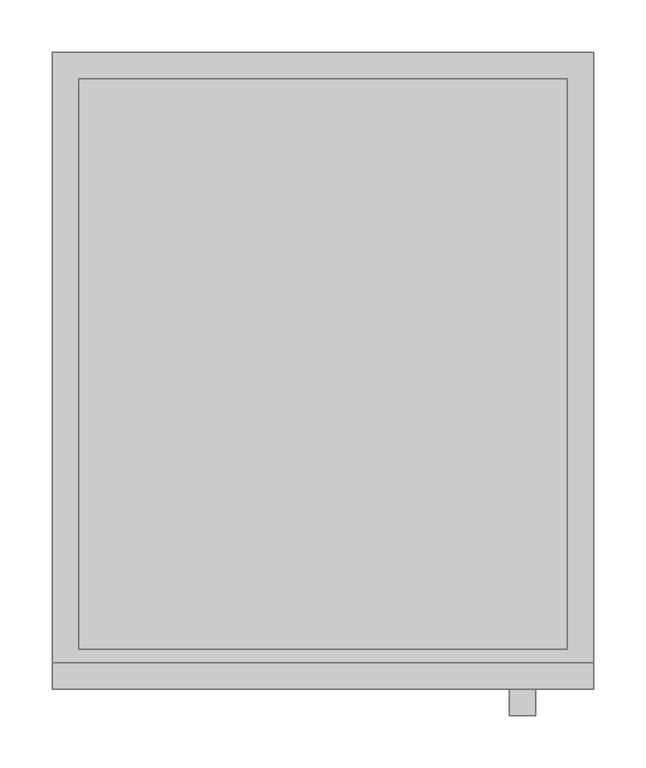
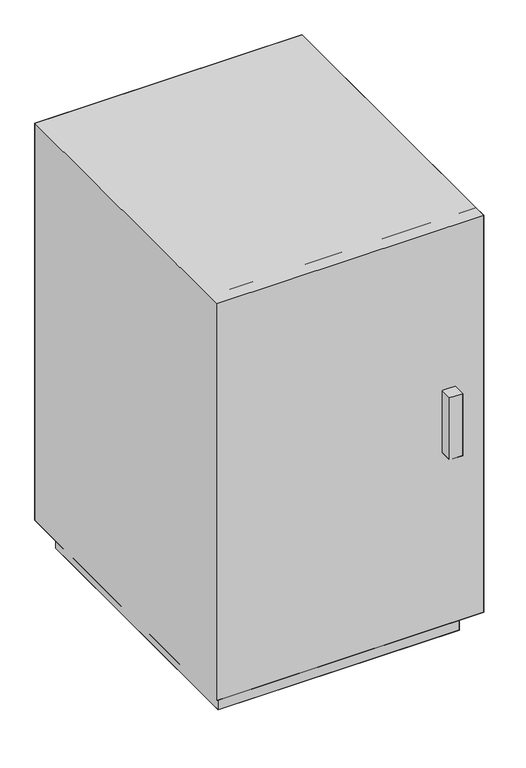
"""IFC4 building model written with IfcOpenShell, lengths in millimetres: furniture geometry."""

import ifcopenshell
import ifcopenshell.guid

model = None  # the IFC model being written
_history = None  # IfcOwnerHistory: only IFC2X3 demands one
_inside = {}  # id of a spatial element -> (the spatial element, [elements in it])
_under = {}  # id of a project, library or spatial element -> (it, [spatial elements below it])
_declared = {}  # id of a project -> (the project, [libraries it declares])
_typed = {}  # id of a type object -> (the type object, [elements of that type])
_made_of = {}  # id of a material, layer set ... -> (it, [elements and type objects made of it])


def new_model(schema):
    """Start an empty IFC model of exactly this schema.

    Asked for "IFC4X3", IfcOpenShell would pick the latest addendum, in which some entities
    have other attributes; the version numbers below select the first issue.
    IFC2X3 requires an IfcOwnerHistory on every rooted entity: one is made here for all.
    """
    global model, _history
    if schema == "IFC4X3":
        model = ifcopenshell.file(schema_version=(4, 3, 0, 0))
    else:
        model = ifcopenshell.file(schema=schema)
    _inside.clear()
    _under.clear()
    _declared.clear()
    _typed.clear()
    _made_of.clear()
    _history = None
    if model.schema == "IFC2X3":
        org = make("IfcOrganization", Name="unknown")
        user = make(
            "IfcPersonAndOrganization",
            ThePerson=make("IfcPerson", FamilyName="unknown"),
            TheOrganization=org,
        )
        app = make(
            "IfcApplication",
            ApplicationDeveloper=org,
            Version="unknown",
            ApplicationFullName="unknown",
            ApplicationIdentifier="unknown",
        )
        _history = make(
            "IfcOwnerHistory",
            OwningUser=user,
            OwningApplication=app,
            ChangeAction="ADDED",
            CreationDate=0,
        )
    return model


def make(cls, **values):
    """One entity of the class cls with the attributes given. An attribute that is None is left unset."""
    return model.create_entity(
        cls, **{name: value for name, value in values.items() if value is not None}
    )


def rooted(cls, **values):
    """An entity with a GlobalId (a new one), such as an element, a storey or a relation."""
    return make(cls, GlobalId=ifcopenshell.guid.new(), OwnerHistory=_history, **values)


def si_unit(unit_type, name, prefix=None):
    """IfcSIUnit, for example si_unit("LENGTHUNIT", "METRE", prefix="MILLI")."""
    return make("IfcSIUnit", UnitType=unit_type, Prefix=prefix, Name=name)


def assignment(units):
    """IfcUnitAssignment: the units of a project."""
    return None if units is None else make("IfcUnitAssignment", Units=units)


def point(xyz):
    """IfcCartesianPoint."""
    return None if xyz is None else make("IfcCartesianPoint", Coordinates=xyz)


def direction(xyz):
    """IfcDirection."""
    return None if xyz is None else make("IfcDirection", DirectionRatios=xyz)


def frame(location, z_axis=None, x_axis=None):
    """IfcAxis2Placement3D, a coordinate frame: its origin and axes. An axis left out is left unset."""
    return make(
        "IfcAxis2Placement3D",
        Location=point(location),
        Axis=direction(z_axis),
        RefDirection=direction(x_axis),
    )


def origin():
    """The frame at (0, 0, 0) with its axes left unset."""
    return frame((0.0, 0.0, 0.0))


def place(relative_to, where):
    """IfcLocalPlacement: puts the frame where relative to a parent placement (None: the world)."""
    return make(
        "IfcLocalPlacement", PlacementRelTo=relative_to, RelativePlacement=where
    )


def context(
    kind, dimensions, precision=None, world=None, true_north=None, identifier=None
):
    """IfcGeometricRepresentationContext, for example the 3D "Model" context."""
    return make(
        "IfcGeometricRepresentationContext",
        ContextIdentifier=identifier,
        ContextType=kind,
        CoordinateSpaceDimension=dimensions,
        Precision=precision,
        WorldCoordinateSystem=world,
        TrueNorth=true_north,
    )


def project(units=None, contexts=None):
    """IfcProject with its units and contexts."""
    return rooted(
        "IfcProject",
        Name="project",
        RepresentationContexts=contexts,
        UnitsInContext=assignment(units),
    )


def spatial(cls, under=None, at=None, **own):
    """A site, building, storey or space (cls), placed at a placement, below another one or the project."""
    s = rooted(cls, ObjectPlacement=at, **own)
    if under is not None:
        _under.setdefault(under.id(), (under, []))[1].append(s)
    return s


def point_list(points):
    """IfcCartesianPointList2D or 3D."""
    cls = (
        "IfcCartesianPointList2D" if len(points[0]) == 2 else "IfcCartesianPointList3D"
    )
    return make(cls, CoordList=points)


def triangles(points, corners, closed=None, point_numbers=None):
    """IfcTriangulatedFaceSet: each triangle names its three corners, points numbered from 1."""
    return make(
        "IfcTriangulatedFaceSet",
        Coordinates=point_list(points),
        Closed=closed,
        CoordIndex=corners,
        PnIndex=point_numbers,
    )


def shape(context_of_items, identifier, shape_type, items):
    """IfcShapeRepresentation: the items that make up one representation, for example the "Body"."""
    return make(
        "IfcShapeRepresentation",
        ContextOfItems=context_of_items,
        RepresentationIdentifier=identifier,
        RepresentationType=shape_type,
        Items=items,
    )


def source(mapping_origin, context_of_items, identifier, shape_type, items):
    """IfcRepresentationMap: a shape defined once, which mapped items show again and again."""
    return make(
        "IfcRepresentationMap",
        MappingOrigin=mapping_origin,
        MappedRepresentation=shape(context_of_items, identifier, shape_type, items),
    )


def transform(
    local_origin,
    x_axis=None,
    y_axis=None,
    z_axis=None,
    scale=None,
    scale2=None,
    scale3=None,
    uniform=True,
):
    """IfcCartesianTransformationOperator3D, or its non-uniform kind. x_axis, y_axis, z_axis: its Axis1, 2, 3."""
    if uniform:
        return make(
            "IfcCartesianTransformationOperator3D",
            Axis1=direction(x_axis),
            Axis2=direction(y_axis),
            LocalOrigin=point(local_origin),
            Scale=scale,
            Axis3=direction(z_axis),
        )
    return make(
        "IfcCartesianTransformationOperator3DnonUniform",
        Axis1=direction(x_axis),
        Axis2=direction(y_axis),
        LocalOrigin=point(local_origin),
        Scale=scale,
        Axis3=direction(z_axis),
        Scale2=scale2,
        Scale3=scale3,
    )


def mapped(mapping_source, mapping_target):
    """IfcMappedItem: shows the shape of a source again, moved by a transform."""
    return make(
        "IfcMappedItem", MappingSource=mapping_source, MappingTarget=mapping_target
    )


def made_of(thing, what):
    """Note that an element or type object is made of a material, layer set ...; save() writes the relation."""
    if what is not None:
        _made_of.setdefault(what.id(), (what, []))[1].append(thing)
    return thing


def element(
    cls,
    number,
    at=None,
    inside=None,
    cuts=None,
    type_object=None,
    material=None,
    context=None,
    identifier="Body",
    shape_type=None,
    held_by="IfcProductDefinitionShape",
    body=None,
    shapes=None,
    **own,
):
    """One element of the class cls, such as IfcWall. Its Tag is "e" and its number.

    at: its placement. inside: the storey or other place that contains it. cuts: it is an
    opening in that element (IfcRelVoidsElement). A single representation is given by context,
    identifier, shape_type and body (its items); several are given by shapes. held_by: the class
    of the entity that holds the representations. save() writes the other relations.
    """
    e = rooted(cls, Tag="e%d" % number, ObjectPlacement=at, **own)
    if body is not None:
        shapes = [shape(context, identifier, shape_type, body)]
    if shapes is not None:
        e.Representation = make(held_by, Representations=shapes)
    if inside is not None:
        _inside.setdefault(inside.id(), (inside, []))[1].append(e)
    if cuts is not None:
        rooted(
            "IfcRelVoidsElement", RelatingBuildingElement=cuts, RelatedOpeningElement=e
        )
    if type_object is not None:
        _typed.setdefault(type_object.id(), (type_object, []))[1].append(e)
    return made_of(e, material)


def aggregate(whole, parts):
    """IfcRelAggregates: a whole, such as a stair, and the parts it consists of."""
    return rooted("IfcRelAggregates", RelatingObject=whole, RelatedObjects=parts)


def save(model, path):
    """Write the relations noted so far, then the file.

    IfcRelAggregates (storeys below a building ...), IfcRelContainedInSpatialStructure (elements
    in a storey), IfcRelDefinesByType, IfcRelAssociatesMaterial and IfcRelDeclares: one each for
    every whole, place, type object, material and project.
    """
    for whole, parts in _under.values():
        aggregate(whole, parts)
    for where, things in _inside.values():
        rooted(
            "IfcRelContainedInSpatialStructure",
            RelatedElements=things,
            RelatingStructure=where,
        )
    for kind, things in _typed.values():
        rooted("IfcRelDefinesByType", RelatedObjects=things, RelatingType=kind)
    for what, things in _made_of.values():
        rooted("IfcRelAssociatesMaterial", RelatedObjects=things, RelatingMaterial=what)
    for by, libraries in _declared.values():
        rooted("IfcRelDeclares", RelatingContext=by, RelatedDefinitions=libraries)
    model.write(path)


def furniture_d39c0745(model_context):
    return source(origin(), model_context, "Body", "Tessellation", [
        triangles([(91.4400036, -584.1999879, 863.5999758), (91.4400036, -609.6, 863.5999758), (609.6, -609.6, 863.5999758), (609.6, -584.1999879, 863.5999758), (609.6, -609.6, 50.8000015), (91.4400036, -609.6, 50.8000015), (91.4400036, -584.1999879, 50.8000015), (609.6, -584.1999879, 50.8000015), (528.9906398, -609.6, 533.4), (528.9906398, -634.9999758, 533.4), (554.3906156, -634.9999758, 533.4), (554.3906156, -609.6, 533.4), (554.3906156, -634.9999758, 406.4000121), (528.9906398, -634.9999758, 406.4000121), (528.9906398, -609.6, 406.4000121), (554.3906156, -609.6, 406.4000121), (91.4400036, 0.0, 863.5999758), (609.6, 0.0, 863.5999758), (91.4400036, 0.0, 50.8000015), (609.6, 0.0, 50.8000015), (116.8399976, -25.4000008, 50.8000015), (116.8399976, -571.5, 50.8000015), (584.2000242, -571.5, 50.8000015), (584.2000242, -25.4000008, 50.8000015), (584.2000242, -571.5, 0.0), (116.8399976, -571.5, 0.0), (116.8399976, -25.4000008, 0.0), (584.2000242, -25.4000008, 0.0)], [[1, 2, 3], [1, 3, 4], [5, 6, 7], [5, 7, 8], [4, 8, 7], [4, 7, 1], [1, 7, 6], [1, 6, 2], [2, 6, 5], [2, 5, 3], [3, 5, 8], [3, 8, 4], [9, 10, 11], [9, 11, 12], [13, 14, 15], [13, 15, 16], [12, 16, 15], [12, 15, 9], [9, 15, 14], [9, 14, 10], [10, 14, 13], [10, 13, 11], [11, 13, 16], [11, 16, 12], [17, 1, 4], [17, 4, 18], [8, 7, 19], [8, 19, 20], [18, 20, 19], [18, 19, 17], [17, 19, 7], [17, 7, 1], [1, 7, 8], [1, 8, 4], [4, 8, 20], [4, 20, 18], [21, 22, 23], [21, 23, 24], [25, 26, 27], [25, 27, 28], [24, 28, 27], [24, 27, 21], [21, 27, 26], [21, 26, 22], [22, 26, 25], [22, 25, 23], [23, 25, 28], [23, 28, 24]], closed=False),
    ])


if __name__ == "__main__":
    model = new_model("IFC4")
    model_context = context("Model", 3, world=origin())
    ifc_project = project(units=[si_unit("LENGTHUNIT", "METRE", prefix="MILLI")], contexts=[model_context])
    site = spatial("IfcSite", under=ifc_project)
    building = spatial("IfcBuilding", under=site)
    placement = place(None, origin())
    furniture_shape = furniture_d39c0745(model_context)
    element("IfcFurniture", 1, at=placement, inside=building, context=model_context, shape_type="MappedRepresentation", body=[
        mapped(furniture_shape, transform((0.0, 0.0, 0.0), x_axis=(1.0, 0.0, 0.0), y_axis=(0.0, 1.0, 0.0), z_axis=(0.0, 0.0, 1.0))),
    ])
    save(model, "model.ifc")
